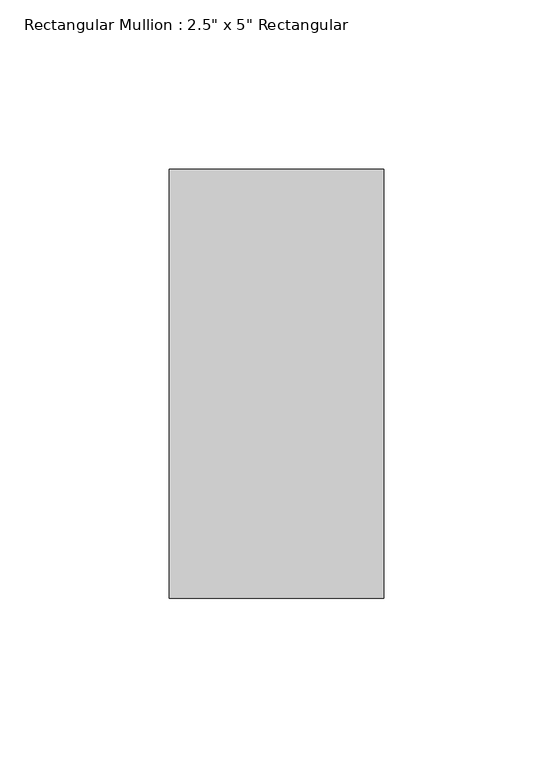
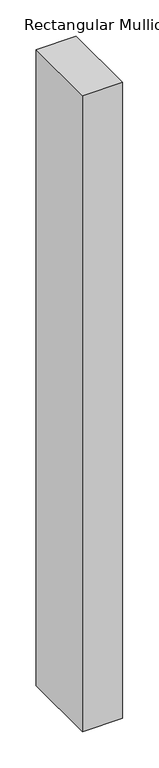
"""IFC4 building model written with IfcOpenShell, lengths in millimetres: member geometry."""

from ifc_helpers import new_model, si_unit, frame, origin, place, context, project, spatial, polyline, outline, extrude, source, transform, mapped, element, save


def member_c4de40ee(model_context):
    return source(origin(), model_context, "Body", "SweptSolid", [
        extrude(outline(polyline([(0.0, 63.5), (0.0, -63.5), (-63.5, -63.5), (-63.5, 63.5), (0.0, 63.5)])), frame((0.0, 0.0, -1066.8), z_axis=(0.0, 0.0, 1.0), x_axis=(1.0, 0.0, 0.0)), (0.0, 0.0, 1.0), 1066.8),
    ])


if __name__ == "__main__":
    model = new_model("IFC4")
    model_context = context("Model", 3, world=origin())
    ifc_project = project(units=[si_unit("LENGTHUNIT", "METRE", prefix="MILLI")], contexts=[model_context])
    site = spatial("IfcSite", under=ifc_project)
    building = spatial("IfcBuilding", under=site)
    placement = place(None, origin())
    member_shape = member_c4de40ee(model_context)
    element("IfcMember", 1, ObjectType="Rectangular Mullion : 2.5\" x 5\" Rectangular", at=placement, inside=building, context=model_context, shape_type="MappedRepresentation", body=[
        mapped(member_shape, transform((0.0, 0.0, 0.0), x_axis=(1.0, 0.0, 0.0), y_axis=(0.0, 1.0, 0.0), z_axis=(0.0, 0.0, 1.0))),
    ])
    save(model, "model.ifc")
